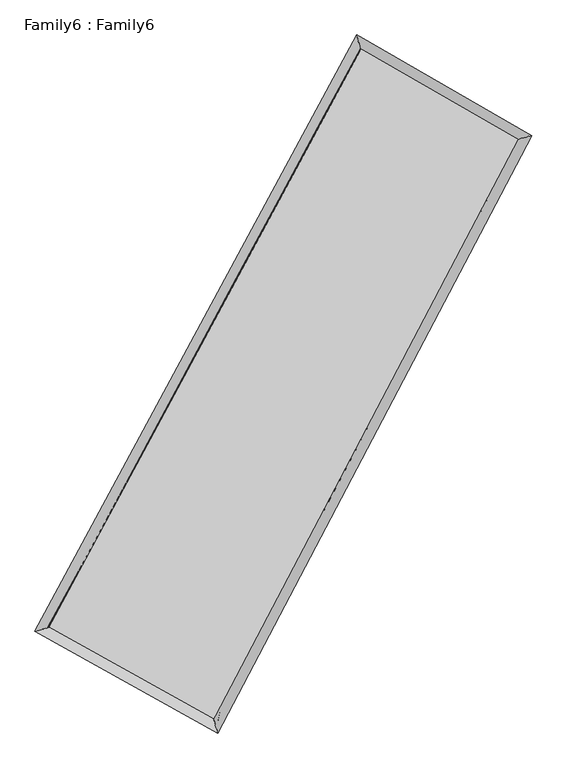
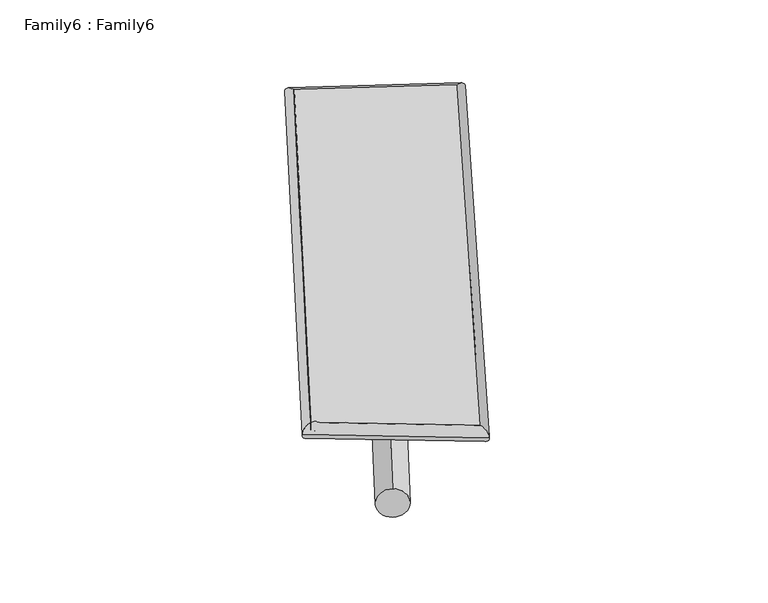
"""IFC4 building model written with IfcOpenShell, lengths in millimetres: plate geometry, Family6 : Family6."""

from ifc_helpers import new_model, si_unit, point, frame, origin, origin_2d, place, context, project, spatial, circle_curve, ellipse_curve, trimmed, segment, composite_curve, outline, extrude, source, transform, mapped, element, save
from ifc_brep_helpers import plane_surface, cylinder_surface, spline_surface, advanced_brep


def family6_family6_f9314622(model_context):
    return source(origin(), model_context, "Body", "SolidModel", [
        extrude(outline(composite_curve([segment(trimmed(circle_curve(origin_2d(), 76.2), [point((-75.4341514, -10.7763074))], [point((75.4341514, 10.7763074))], False, "CARTESIAN"), True, "CONTINUOUS"), segment(trimmed(circle_curve(origin_2d(), 76.2), [point((75.4341514, 10.7763074))], [point((-75.4341514, -10.7763074))], False, "CARTESIAN"), True, "CONTINUOUS")], self_intersect=False)), frame((9144.0, 9144.0, 0.0), z_axis=(0.6621134324151128, 0.6935003895092684, 0.28401234544640996), x_axis=(-0.6861418920740496, 0.7133980859368471, -0.14238144163719604)), (0.0, 0.0, 1.0), 5532.5897179),
        extrude(outline(composite_curve([segment(trimmed(circle_curve(origin_2d(), 76.2), [point((-53.8815367, 53.8815367))], [point((53.8815367, -53.8815367))], False, "CARTESIAN"), True, "CONTINUOUS"), segment(trimmed(circle_curve(origin_2d(), 76.2), [point((53.8815367, -53.8815367))], [point((-53.8815367, 53.8815367))], False, "CARTESIAN"), True, "CONTINUOUS")], self_intersect=False)), frame((9144.0, 9144.0, 0.0), z_axis=(-0.6693472013922205, -0.6873112462979756, 0.2820949746109027), x_axis=(0.6472365863598923, -0.3530246705353376, 0.6756170389137695)), (0.0, 0.0, 1.0), 5565.6785407),
        extrude(outline(composite_curve([segment(trimmed(circle_curve(origin_2d(), 76.2), [point((-53.8815367, -53.8815368))], [point((53.8815367, 53.8815368))], False, "CARTESIAN"), True, "CONTINUOUS"), segment(trimmed(circle_curve(origin_2d(), 76.2), [point((53.8815367, 53.8815368))], [point((-53.8815367, -53.8815368))], False, "CARTESIAN"), True, "CONTINUOUS")], self_intersect=False)), frame((9144.0, 9144.0, 0.0), z_axis=(0.2110293547740459, 0.9413072864255189, 0.2634524699938801), x_axis=(-0.8489859826466011, 0.31008348875170255, -0.42786800683523657)), (0.0, 0.0, 1.0), 5593.3507699),
        extrude(outline(composite_curve([segment(trimmed(circle_curve(origin_2d(), 76.2), [point((-75.4341515, 10.7763073))], [point((75.4341515, -10.7763073))], False, "CARTESIAN"), True, "CONTINUOUS"), segment(trimmed(circle_curve(origin_2d(), 76.2), [point((75.4341515, -10.7763073))], [point((-75.4341515, 10.7763073))], False, "CARTESIAN"), True, "CONTINUOUS")], self_intersect=False)), frame((9144.0, 9144.0, 0.0), z_axis=(-0.2012567048159096, -0.9433301652057399, 0.26386348398282344), x_axis=(0.8992039491356276, -0.07108496183693581, 0.4317165575461902)), (0.0, 0.0, 1.0), 5590.0819785),
        advanced_brep(
        [(5213.4585596, 5258.933466, 1563.5901439), (5213.223144, 5258.6263959, 1578.020138), (5623.7987302, 5378.3596253, 1576.5097494), (10383.9579732, 14199.0248048, 1482.9044782), (10264.7644348, 14619.0988657, 1464.2596736), (5624.0341458, 5378.6666955, 1562.0797553), (12604.0723168, 12921.9446591, 1570.3034637), (13010.3316196, 13039.7615895, 1572.3441006), (7956.6793988, 4079.7817977, 1476.8310953), (8081.2376439, 3661.6322898, 1473.2059179)],
        [
            (0, 1, ellipse_curve(frame((5418.6286449, 5318.6465457, 1570.0499466), z_axis=(-0.27987225647058694, 0.9599062208597439, 0.015860870493977185), x_axis=(-0.959482672365209, -0.2802338812370017, 0.029359380745562165)), 214.1497758, 152.4)),
            (1, 2, ellipse_curve(frame((5418.6286449, 5318.6465457, 1570.0499466), z_axis=(-0.27987225647058694, 0.9599062208597439, 0.015860870493977185), x_axis=(-0.959482672365209, -0.2802338812370017, 0.029359380745562165)), 214.1497758, 152.4)),
            (2, 3),
            (3, 4, ellipse_curve(frame((10324.361204, 14409.0618352, 1473.5820759), z_axis=(-0.961664082249748, -0.27365466129658234, -0.017757231242588885), x_axis=(0.2730543831254269, -0.961521123443137, 0.030305660009975362)), 218.5450726, 152.4)),
            (4, 0),
            (2, 5, ellipse_curve(frame((5418.6286449, 5318.6465457, 1570.0499466), z_axis=(-0.27987225647058694, 0.9599062208597439, 0.015860870493977185), x_axis=(-0.959482672365209, -0.2802338812370017, 0.029359380745562165)), 214.1497758, 152.4)),
            (5, 0, ellipse_curve(frame((5418.6286449, 5318.6465457, 1570.0499466), z_axis=(-0.27987225647058694, 0.9599062208597439, 0.015860870493977185), x_axis=(-0.959482672365209, -0.2802338812370017, 0.029359380745562165)), 214.1497758, 152.4)),
            (4, 3, ellipse_curve(frame((10324.361204, 14409.0618352, 1473.5820759), z_axis=(-0.961664082249748, -0.27365466129658234, -0.017757231242588885), x_axis=(0.2730543831254269, -0.961521123443137, 0.030305660009975362)), 218.5450726, 152.4)),
            (3, 6),
            (6, 7, ellipse_curve(frame((12807.2019682, 12980.8531243, 1571.3237822), z_axis=(-0.2784075418775593, 0.960309412640947, -0.017177677924980626), x_axis=(-0.9598296676840663, -0.27882885170951993, -0.031328588985862896)), 211.5704491, 152.4)),
            (7, 4),
            (7, 6, ellipse_curve(frame((12807.2019682, 12980.8531243, 1571.3237822), z_axis=(-0.2784075418775593, 0.960309412640947, -0.017177677924980626), x_axis=(-0.9598296676840663, -0.27882885170951993, -0.031328588985862896)), 211.5704491, 152.4)),
            (6, 8),
            (8, 9, ellipse_curve(frame((8018.9585214, 3870.7070437, 1475.0185066), z_axis=(0.9582204786746127, 0.2855744163414747, -0.016148281017568263), x_axis=(-0.28504663039882844, 0.9580799105470033, 0.02883233435779937)), 218.2092813, 152.4)),
            (9, 7),
            (9, 8, ellipse_curve(frame((8018.9585214, 3870.7070437, 1475.0185066), z_axis=(0.9582204786746127, 0.2855744163414747, -0.016148281017568263), x_axis=(-0.28504663039882844, 0.9580799105470033, 0.02883233435779937)), 218.2092813, 152.4)),
            (8, 5),
            (1, 9),
        ],
        [
            cylinder_surface(frame((5418.6286449, 5318.6465457, 1570.0499466), z_axis=(-0.4748964592004762, -0.8799921279207397, 0.00933851360653326), x_axis=(-0.879087983991317, 0.47386122582352697, -0.051573782710854325)), 152.4),
            cylinder_surface(frame((10324.361204, 14409.0618352, 1473.5820759), z_axis=(-0.8663152588640162, 0.49833199814308693, -0.034104132976682466), x_axis=(0.4992243968380601, 0.8660788563857067, -0.026123095591862797)), 152.4),
            cylinder_surface(frame((12807.2019682, 12980.8531243, 1571.3237822), z_axis=(0.46522607505129265, 0.8851424434121888, 0.009357027448347422), x_axis=(0.8851888876281021, -0.46522607505129265, -0.002309179960991437)), 152.4),
            cylinder_surface(frame((8018.9585214, 3870.7070437, 1475.0185066), z_axis=(0.8732394575605216, -0.4862451940051494, -0.0319133368092584), x_axis=(-0.48580756902891614, -0.873818378836744, 0.02079535239758462)), 152.4),
        ],
        [
            (0, [[1, 2, 3, 4, 5]]),
            (0, [[6, 7, -5, 8, -3]]),
            (1, [[-4, 9, 10, 11]]),
            (1, [[-8, -11, 12, -9]]),
            (2, [[-10, 13, 14, 15]]),
            (2, [[-12, -15, 16, -13]]),
            (3, [[-14, 17, -6, -2, 18]]),
            (3, [[-16, -18, -1, -7, -17]]),
        ],
    ),
        extrude(outline(composite_curve([segment(trimmed(circle_curve(origin_2d(), 304.8), [point((0.0, -304.8000001))], [point((0.0, 304.8))], False, "CARTESIAN"), True, "CONTINUOUS"), segment(trimmed(circle_curve(origin_2d(), 304.8), [point((0.0, 304.8))], [point((0.0, -304.8000001))], False, "CARTESIAN"), True, "CONTINUOUS")], self_intersect=False)), frame((6667.1278045, 4601.6517621, -0.0992967), z_axis=(0.47873708246816227, 0.8779583164943112, 1.9192364943078797e-05), x_axis=(-0.8779583166904534, 0.47873708246816227, 4.8925989026560025e-06)), (0.0, 0.0, 1.0), 10347.5259647),
        advanced_brep(
        [(5418.6286449, 5318.6465457, 1570.0499466), (8018.9585214, 3870.7070437, 1475.0185066), (8018.9840093, 3870.6980157, 1627.4185042), (5418.6541329, 5318.6375176, 1722.4499442), (12807.2019682, 12980.8531243, 1571.3237822), (12807.2274562, 12980.8440963, 1723.7237798), (10324.361204, 14409.0618352, 1473.5820759), (10324.386692, 14409.0528072, 1625.9820735)],
        [
            (0, 1),
            (1, 2),
            (2, 3),
            (3, 0),
            (1, 4),
            (4, 5),
            (5, 2),
            (4, 6),
            (6, 7),
            (7, 5),
            (6, 0),
            (3, 7),
        ],
        [
            plane_surface(frame((6718.7935831, 4594.6767947, 1522.5342266), z_axis=(-0.4864921680732662, -0.87368493722098, 2.9606513931117878e-05), x_axis=(0.8732394575605216, -0.48624519400514915, -0.03191333680925837))),
            plane_surface(frame((10413.0802448, 8425.780084, 1523.1711444), z_axis=(0.8851819456582548, -0.4652449808913341, -0.00017560207585794576), x_axis=(0.46522607505129254, 0.885142443412189, 0.009357027448347448))),
            plane_surface(frame((11565.7815861, 13694.9574798, 1522.452929), z_axis=(0.49862300166724427, 0.8668189552505494, -3.204205785750994e-05), x_axis=(-0.8663152588640161, 0.49833199814308704, -0.034104132976682446))),
            plane_surface(frame((7871.4949245, 9863.8541905, 1521.8160113), z_axis=(-0.8800297104577572, 0.4749186014222115, 0.00017531345282201845), x_axis=(-0.4748964592004759, -0.8799921279207397, 0.009338513606533271))),
            spline_surface(1, 1, [[(8018.9840093, 3870.6980157, 1627.4185042), (5418.6541329, 5318.6375176, 1722.4499442)], [(12807.2274562, 12980.8440963, 1723.7237798), (10324.386692, 14409.0528072, 1625.9820735)]], [2, 2], [2, 2], [0.0, 1.0], [0.0, 1.0]),
            spline_surface(1, 1, [[(10324.361204, 14409.0618352, 1473.5820759), (5418.6286449, 5318.6465457, 1570.0499466)], [(12807.2019682, 12980.8531243, 1571.3237822), (8018.9585214, 3870.7070437, 1475.0185066)]], [2, 2], [2, 2], [0.0, 1.0], [0.0, 1.0]),
        ],
        [
            (0, [[1, 2, 3, 4]]),
            (1, [[5, 6, 7, -2]]),
            (2, [[8, 9, 10, -6]]),
            (3, [[11, -4, 12, -9]]),
            (4, [[-3, -7, -10, -12]]),
            (5, [[-11, -8, -5, -1]]),
        ],
    ),
    ])


if __name__ == "__main__":
    model = new_model("IFC4")
    model_context = context("Model", 3, world=origin())
    ifc_project = project(units=[si_unit("LENGTHUNIT", "METRE", prefix="MILLI")], contexts=[model_context])
    site = spatial("IfcSite", under=ifc_project)
    building = spatial("IfcBuilding", under=site)
    placement = place(None, origin())
    family6_family6_shape = family6_family6_f9314622(model_context)
    element("IfcPlate", 1, ObjectType="Family6 : Family6", at=placement, inside=building, context=model_context, shape_type="MappedRepresentation", body=[
        mapped(family6_family6_shape, transform((0.0, 0.0, 0.0), x_axis=(1.0, 0.0, 0.0), y_axis=(0.0, 1.0, 0.0), z_axis=(0.0, 0.0, 1.0))),
    ])
    save(model, "model.ifc")
